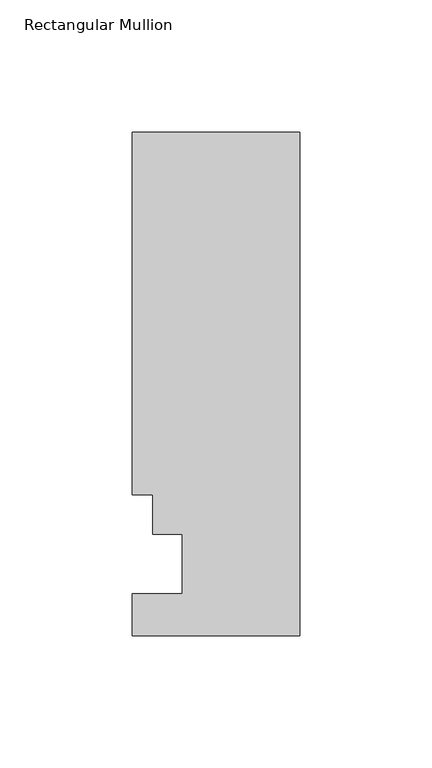
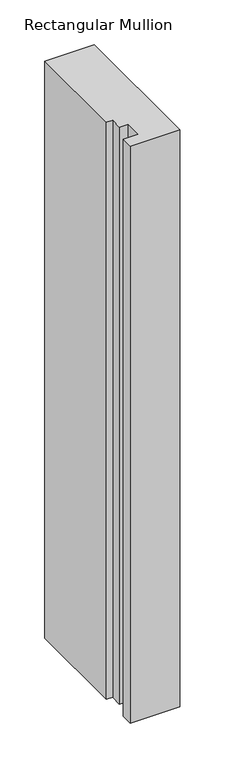
"""IFC4 building model written with IfcOpenShell, lengths in millimetres: member geometry, Rectangular Mullion."""

import ifcopenshell
import ifcopenshell.guid

model = None  # the IFC model being written
_history = None  # IfcOwnerHistory: only IFC2X3 demands one
_inside = {}  # id of a spatial element -> (the spatial element, [elements in it])
_under = {}  # id of a project, library or spatial element -> (it, [spatial elements below it])
_declared = {}  # id of a project -> (the project, [libraries it declares])
_typed = {}  # id of a type object -> (the type object, [elements of that type])
_made_of = {}  # id of a material, layer set ... -> (it, [elements and type objects made of it])


def new_model(schema):
    """Start an empty IFC model of exactly this schema.

    Asked for "IFC4X3", IfcOpenShell would pick the latest addendum, in which some entities
    have other attributes; the version numbers below select the first issue.
    IFC2X3 requires an IfcOwnerHistory on every rooted entity: one is made here for all.
    """
    global model, _history
    if schema == "IFC4X3":
        model = ifcopenshell.file(schema_version=(4, 3, 0, 0))
    else:
        model = ifcopenshell.file(schema=schema)
    _inside.clear()
    _under.clear()
    _declared.clear()
    _typed.clear()
    _made_of.clear()
    _history = None
    if model.schema == "IFC2X3":
        org = make("IfcOrganization", Name="unknown")
        user = make(
            "IfcPersonAndOrganization",
            ThePerson=make("IfcPerson", FamilyName="unknown"),
            TheOrganization=org,
        )
        app = make(
            "IfcApplication",
            ApplicationDeveloper=org,
            Version="unknown",
            ApplicationFullName="unknown",
            ApplicationIdentifier="unknown",
        )
        _history = make(
            "IfcOwnerHistory",
            OwningUser=user,
            OwningApplication=app,
            ChangeAction="ADDED",
            CreationDate=0,
        )
    return model


def make(cls, **values):
    """One entity of the class cls with the attributes given. An attribute that is None is left unset."""
    return model.create_entity(
        cls, **{name: value for name, value in values.items() if value is not None}
    )


def rooted(cls, **values):
    """An entity with a GlobalId (a new one), such as an element, a storey or a relation."""
    return make(cls, GlobalId=ifcopenshell.guid.new(), OwnerHistory=_history, **values)


def si_unit(unit_type, name, prefix=None):
    """IfcSIUnit, for example si_unit("LENGTHUNIT", "METRE", prefix="MILLI")."""
    return make("IfcSIUnit", UnitType=unit_type, Prefix=prefix, Name=name)


def assignment(units):
    """IfcUnitAssignment: the units of a project."""
    return None if units is None else make("IfcUnitAssignment", Units=units)


def point(xyz):
    """IfcCartesianPoint."""
    return None if xyz is None else make("IfcCartesianPoint", Coordinates=xyz)


def direction(xyz):
    """IfcDirection."""
    return None if xyz is None else make("IfcDirection", DirectionRatios=xyz)


def frame(location, z_axis=None, x_axis=None):
    """IfcAxis2Placement3D, a coordinate frame: its origin and axes. An axis left out is left unset."""
    return make(
        "IfcAxis2Placement3D",
        Location=point(location),
        Axis=direction(z_axis),
        RefDirection=direction(x_axis),
    )


def origin():
    """The frame at (0, 0, 0) with its axes left unset."""
    return frame((0.0, 0.0, 0.0))


def place(relative_to, where):
    """IfcLocalPlacement: puts the frame where relative to a parent placement (None: the world)."""
    return make(
        "IfcLocalPlacement", PlacementRelTo=relative_to, RelativePlacement=where
    )


def context(
    kind, dimensions, precision=None, world=None, true_north=None, identifier=None
):
    """IfcGeometricRepresentationContext, for example the 3D "Model" context."""
    return make(
        "IfcGeometricRepresentationContext",
        ContextIdentifier=identifier,
        ContextType=kind,
        CoordinateSpaceDimension=dimensions,
        Precision=precision,
        WorldCoordinateSystem=world,
        TrueNorth=true_north,
    )


def project(units=None, contexts=None):
    """IfcProject with its units and contexts."""
    return rooted(
        "IfcProject",
        Name="project",
        RepresentationContexts=contexts,
        UnitsInContext=assignment(units),
    )


def spatial(cls, under=None, at=None, **own):
    """A site, building, storey or space (cls), placed at a placement, below another one or the project."""
    s = rooted(cls, ObjectPlacement=at, **own)
    if under is not None:
        _under.setdefault(under.id(), (under, []))[1].append(s)
    return s


def polyline(points):
    """IfcPolyline through the points."""
    return make("IfcPolyline", Points=[point(p) for p in points])


def outline(outer, holes=None, kind="AREA"):
    """IfcArbitraryClosedProfileDef: a profile drawn as a closed curve; with holes, ...WithVoids."""
    if holes is None:
        return make("IfcArbitraryClosedProfileDef", ProfileType=kind, OuterCurve=outer)
    return make(
        "IfcArbitraryProfileDefWithVoids",
        ProfileType=kind,
        OuterCurve=outer,
        InnerCurves=holes,
    )


def extrude(swept, where, along, depth):
    """IfcExtrudedAreaSolid: the profile swept, set in the frame where, extruded along a direction by depth."""
    return make(
        "IfcExtrudedAreaSolid",
        SweptArea=swept,
        Position=where,
        ExtrudedDirection=direction(along),
        Depth=depth,
    )


def shape(context_of_items, identifier, shape_type, items):
    """IfcShapeRepresentation: the items that make up one representation, for example the "Body"."""
    return make(
        "IfcShapeRepresentation",
        ContextOfItems=context_of_items,
        RepresentationIdentifier=identifier,
        RepresentationType=shape_type,
        Items=items,
    )


def source(mapping_origin, context_of_items, identifier, shape_type, items):
    """IfcRepresentationMap: a shape defined once, which mapped items show again and again."""
    return make(
        "IfcRepresentationMap",
        MappingOrigin=mapping_origin,
        MappedRepresentation=shape(context_of_items, identifier, shape_type, items),
    )


def transform(
    local_origin,
    x_axis=None,
    y_axis=None,
    z_axis=None,
    scale=None,
    scale2=None,
    scale3=None,
    uniform=True,
):
    """IfcCartesianTransformationOperator3D, or its non-uniform kind. x_axis, y_axis, z_axis: its Axis1, 2, 3."""
    if uniform:
        return make(
            "IfcCartesianTransformationOperator3D",
            Axis1=direction(x_axis),
            Axis2=direction(y_axis),
            LocalOrigin=point(local_origin),
            Scale=scale,
            Axis3=direction(z_axis),
        )
    return make(
        "IfcCartesianTransformationOperator3DnonUniform",
        Axis1=direction(x_axis),
        Axis2=direction(y_axis),
        LocalOrigin=point(local_origin),
        Scale=scale,
        Axis3=direction(z_axis),
        Scale2=scale2,
        Scale3=scale3,
    )


def mapped(mapping_source, mapping_target):
    """IfcMappedItem: shows the shape of a source again, moved by a transform."""
    return make(
        "IfcMappedItem", MappingSource=mapping_source, MappingTarget=mapping_target
    )


def made_of(thing, what):
    """Note that an element or type object is made of a material, layer set ...; save() writes the relation."""
    if what is not None:
        _made_of.setdefault(what.id(), (what, []))[1].append(thing)
    return thing


def element(
    cls,
    number,
    at=None,
    inside=None,
    cuts=None,
    type_object=None,
    material=None,
    context=None,
    identifier="Body",
    shape_type=None,
    held_by="IfcProductDefinitionShape",
    body=None,
    shapes=None,
    **own,
):
    """One element of the class cls, such as IfcWall. Its Tag is "e" and its number.

    at: its placement. inside: the storey or other place that contains it. cuts: it is an
    opening in that element (IfcRelVoidsElement). A single representation is given by context,
    identifier, shape_type and body (its items); several are given by shapes. held_by: the class
    of the entity that holds the representations. save() writes the other relations.
    """
    e = rooted(cls, Tag="e%d" % number, ObjectPlacement=at, **own)
    if body is not None:
        shapes = [shape(context, identifier, shape_type, body)]
    if shapes is not None:
        e.Representation = make(held_by, Representations=shapes)
    if inside is not None:
        _inside.setdefault(inside.id(), (inside, []))[1].append(e)
    if cuts is not None:
        rooted(
            "IfcRelVoidsElement", RelatingBuildingElement=cuts, RelatedOpeningElement=e
        )
    if type_object is not None:
        _typed.setdefault(type_object.id(), (type_object, []))[1].append(e)
    return made_of(e, material)


def aggregate(whole, parts):
    """IfcRelAggregates: a whole, such as a stair, and the parts it consists of."""
    return rooted("IfcRelAggregates", RelatingObject=whole, RelatedObjects=parts)


def save(model, path):
    """Write the relations noted so far, then the file.

    IfcRelAggregates (storeys below a building ...), IfcRelContainedInSpatialStructure (elements
    in a storey), IfcRelDefinesByType, IfcRelAssociatesMaterial and IfcRelDeclares: one each for
    every whole, place, type object, material and project.
    """
    for whole, parts in _under.values():
        aggregate(whole, parts)
    for where, things in _inside.values():
        rooted(
            "IfcRelContainedInSpatialStructure",
            RelatedElements=things,
            RelatingStructure=where,
        )
    for kind, things in _typed.values():
        rooted("IfcRelDefinesByType", RelatedObjects=things, RelatingType=kind)
    for what, things in _made_of.values():
        rooted("IfcRelAssociatesMaterial", RelatedObjects=things, RelatingMaterial=what)
    for by, libraries in _declared.values():
        rooted("IfcRelDeclares", RelatingContext=by, RelatedDefinitions=libraries)
    model.write(path)


def rectangular_mullion_a8e15684(model_context):
    return source(origin(), model_context, "Body", "SweptSolid", [
        extrude(outline(polyline([(0.0, 152.4992187), (0.0, -38.2293813), (-63.5, -38.2293813), (-63.5, -22.3797813), (-44.45, -22.3797813), (-44.45, 0.0992188), (-55.5752, 0.0992188), (-55.5752, 15.1614187), (-63.5, 15.1614187), (-63.5, 152.4992188), (0.0, 152.4992187)])), frame((0.0, 0.0, -785.1272189), z_axis=(0.0, 0.0, 1.0), x_axis=(1.0, 0.0, 0.0)), (0.0, 0.0, 1.0), 785.1272189),
    ])


if __name__ == "__main__":
    model = new_model("IFC4")
    model_context = context("Model", 3, world=origin())
    ifc_project = project(units=[si_unit("LENGTHUNIT", "METRE", prefix="MILLI")], contexts=[model_context])
    site = spatial("IfcSite", under=ifc_project)
    building = spatial("IfcBuilding", under=site)
    placement = place(None, origin())
    rectangular_mullion_shape = rectangular_mullion_a8e15684(model_context)
    element("IfcMember", 1, ObjectType="Rectangular Mullion", at=placement, inside=building, context=model_context, shape_type="MappedRepresentation", body=[
        mapped(rectangular_mullion_shape, transform((0.0, 0.0, 0.0), x_axis=(1.0, 0.0, 0.0), y_axis=(0.0, 1.0, 0.0), z_axis=(0.0, 0.0, 1.0))),
    ])
    save(model, "model.ifc")
